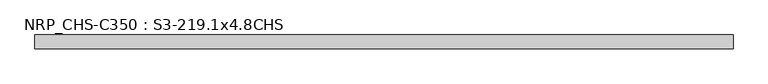
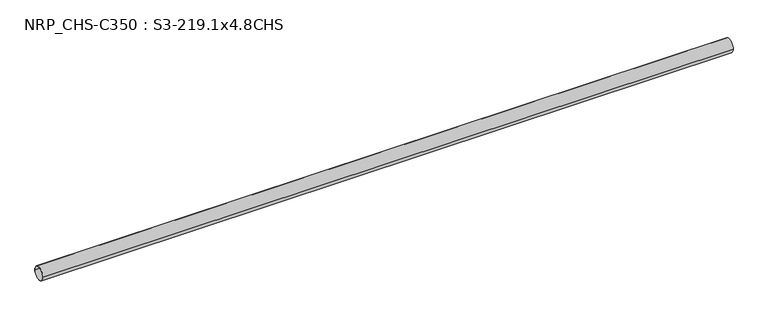
"""IFC4 building model written with IfcOpenShell, lengths in millimetres: beam geometry, NRP_CHS-C350 : S3-219.1x4.8CHS."""

from ifc_helpers import new_model, si_unit, point, frame, origin, origin_2d, place, context, project, spatial, circle_curve, trimmed, segment, composite_curve, outline, extrude, source, transform, mapped, element, save


def nrp_chs_c350_s3_219_1x4_8chs_6ba50341(model_context):
    return source(origin(), model_context, "Body", "SweptSolid", [
        extrude(outline(composite_curve([segment(trimmed(circle_curve(origin_2d(), 109.55), [point((109.55, 0.0))], [point((-109.55, 0.0))], False, "CARTESIAN"), True, "CONTINUOUS"), segment(trimmed(circle_curve(origin_2d(), 109.55), [point((-109.55, 0.0))], [point((109.55, 0.0))], False, "CARTESIAN"), True, "CONTINUOUS")], self_intersect=False), holes=[composite_curve([segment(trimmed(circle_curve(origin_2d(), 104.75), [point((-104.75, 0.0))], [point((104.75, 0.0))], True, "CARTESIAN"), True, "CONTINUOUS"), segment(trimmed(circle_curve(origin_2d(), 104.75), [point((104.75, 0.0))], [point((-104.75, 0.0))], True, "CARTESIAN"), True, "CONTINUOUS")], self_intersect=False)]), frame((-5532.8, 0.0, 0.0), z_axis=(1.0, 0.0, 0.0), x_axis=(0.0, 1.0, 0.0)), (0.0, 0.0, 1.0), 11087.8),
    ])


if __name__ == "__main__":
    model = new_model("IFC4")
    model_context = context("Model", 3, world=origin())
    ifc_project = project(units=[si_unit("LENGTHUNIT", "METRE", prefix="MILLI")], contexts=[model_context])
    site = spatial("IfcSite", under=ifc_project)
    building = spatial("IfcBuilding", under=site)
    placement = place(None, origin())
    nrp_chs_c350_s3_219_1x4_8chs_shape = nrp_chs_c350_s3_219_1x4_8chs_6ba50341(model_context)
    element("IfcBeam", 1, ObjectType="NRP_CHS-C350 : S3-219.1x4.8CHS", at=placement, inside=building, context=model_context, shape_type="MappedRepresentation", body=[
        mapped(nrp_chs_c350_s3_219_1x4_8chs_shape, transform((0.0, 0.0, 0.0), x_axis=(1.0, 0.0, 0.0), y_axis=(0.0, 1.0, 0.0), z_axis=(0.0, 0.0, 1.0))),
    ])
    save(model, "model.ifc")
